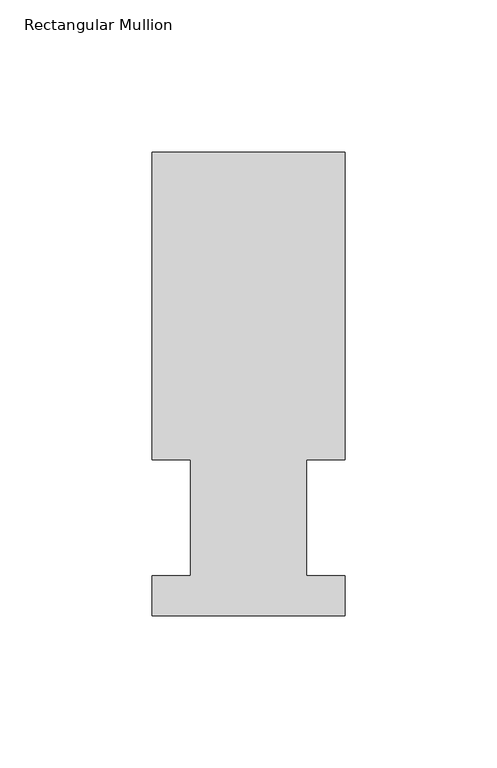
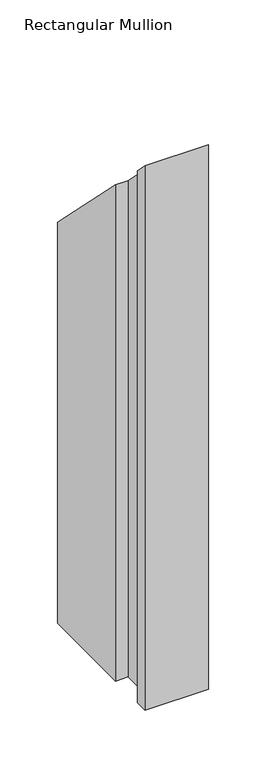
"""IFC4 building model written with IfcOpenShell, lengths in millimetres: member geometry, Rectangular Mullion."""

from ifc_helpers import new_model, si_unit, origin, place, context, project, spatial, faceted_brep, source, transform, mapped, element, save


def rectangular_mullion_064c29c1(model_context):
    return source(origin(), model_context, "Body", "Brep", [
        faceted_brep([(-63.5, 152.4896937, -577.85), (0.0127, 152.4896937, -577.85), (0.0127, 51.2960937, -577.85), (-12.6873, 51.2960938, -577.85), (-12.6873, 13.1960937, -577.85), (0.0, 13.1960937, -577.85), (0.0, 0.0134937, -577.85), (-63.5, 0.0134937, -577.85), (-63.5, 13.1960937, -577.85), (-50.8000001, 13.1960937, -577.85), (-50.8000001, 51.2960937, -577.85), (-63.5, 51.2960937, -577.85), (-63.5, 51.2960937, -51.2960937), (-63.5, 152.4896937, -152.4896937), (-50.8000001, 51.2960937, -51.2960937), (-50.8000001, 13.1960937, -13.1960937), (-63.5, 13.1960937, -13.1960937), (-63.5, 0.0134937, -0.0134937), (0.0, 0.0134937, -0.0134937), (0.0, 13.1960937, -13.1960937), (-12.6873, 13.1960937, -13.1960937), (-12.6873, 51.2960938, -51.2960937), (0.0127, 51.2960937, -51.2960937), (0.0127, 152.4896937, -152.4896937)], [[[0, 1, 2, 3, 4, 5, 6, 7, 8, 9, 10, 11]], [[12, 13, 0, 11]], [[14, 12, 11, 10]], [[15, 14, 10, 9]], [[16, 15, 9, 8]], [[17, 16, 8, 7]], [[18, 17, 7, 6]], [[19, 18, 6, 5]], [[20, 19, 5, 4]], [[21, 20, 4, 3]], [[22, 21, 3, 2]], [[23, 22, 2, 1]], [[13, 23, 1, 0]], [[13, 12, 14, 15, 16, 17, 18, 19, 20, 21, 22, 23]]]),
    ])


if __name__ == "__main__":
    model = new_model("IFC4")
    model_context = context("Model", 3, world=origin())
    ifc_project = project(units=[si_unit("LENGTHUNIT", "METRE", prefix="MILLI")], contexts=[model_context])
    site = spatial("IfcSite", under=ifc_project)
    building = spatial("IfcBuilding", under=site)
    placement = place(None, origin())
    rectangular_mullion_shape = rectangular_mullion_064c29c1(model_context)
    element("IfcMember", 1, ObjectType="Rectangular Mullion", at=placement, inside=building, context=model_context, shape_type="MappedRepresentation", body=[
        mapped(rectangular_mullion_shape, transform((0.0, 0.0, 0.0), x_axis=(1.0, 0.0, 0.0), y_axis=(0.0, 1.0, 0.0), z_axis=(0.0, 0.0, 1.0))),
    ])
    save(model, "model.ifc")
